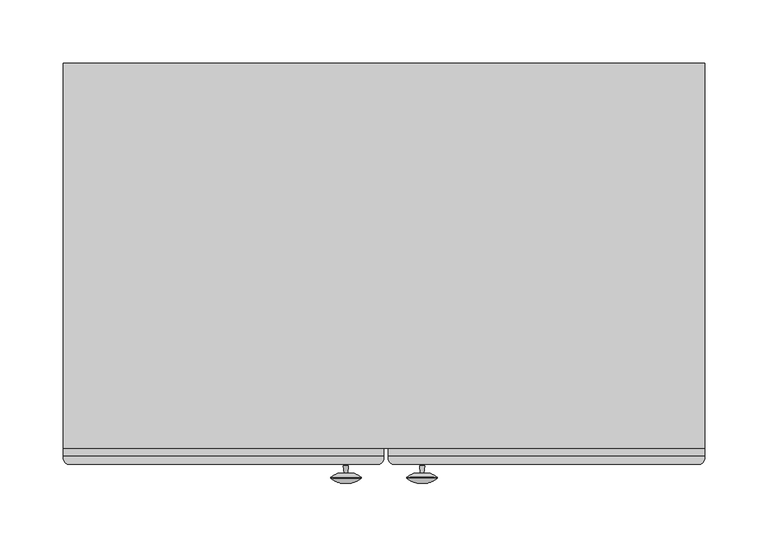
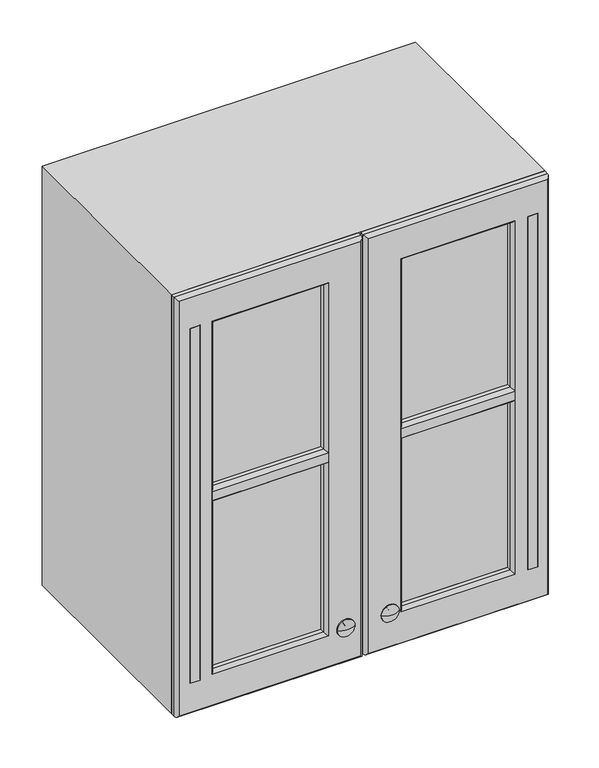
"""IFC4 building model written with IfcOpenShell, lengths in millimetres: furniture geometry."""

from ifc_helpers import new_model, si_unit, point, frame, frame_2d, origin, place, context, project, spatial, polyline, circle_curve, ellipse_curve, trimmed, segment, composite_curve, outline, extrude, source, transform, mapped, element, save
from ifc_brep_helpers import plane_surface, cylinder_surface, revolved_surface, advanced_brep


def furniture_fbc757a7(model_context):
    return source(origin(), model_context, "Body", "SolidModel", [
        extrude(outline(polyline([(-274.7654395, -358.775), (-274.7654395, -352.425), (131.6345605, -352.425), (131.6345605, -358.775), (-274.7654395, -358.775)])), frame((0.0, 0.0, 1574.8), z_axis=(0.0, 0.0, 1.0), x_axis=(1.0, 0.0, 0.0)), (0.0, 0.0, 1.0), 501.65),
        extrude(outline(polyline([(131.6345605, -53.975), (131.6345605, -73.025), (-274.7654395, -73.025), (-274.7654395, -53.975), (131.6345605, -53.975)])), frame((0.0, 0.0, 1574.8), z_axis=(0.0, 0.0, 1.0), x_axis=(1.0, 0.0, 0.0)), (0.0, 0.0, 1.0), 501.65),
        extrude(outline(polyline([(2127.25, -325.5654395), (1524.0, -325.5654395), (1524.0, 182.4345605), (2127.25, 182.4345605), (2127.25, -325.5654395)]), holes=[polyline([(2076.45, -274.7654395), (2076.45, 131.6345605), (1574.8, 131.6345605), (1574.8, -274.7654395), (2076.45, -274.7654395)])]), frame((0.0, -358.775, 0.0), z_axis=(0.0, 1.0, 0.0), x_axis=(0.0, 0.0, 1.0)), (0.0, 0.0, 1.0), 304.8),
        extrude(outline(composite_curve([segment(polyline([(-294.3401211, -371.475), (-307.5038137, -371.475)]), True, "CONTINUOUS"), segment(trimmed(circle_curve(frame_2d((-303.4240101, -365.7269975)), 7.0487113), [point((-307.5038137, -371.475))], [point((-310.4469674, -365.125))], False, "CARTESIAN"), True, "CONTINUOUS"), segment(polyline([(-310.4469674, -365.125), (-310.4469674, -358.775), (-291.3969674, -358.775), (-291.3969674, -365.125)]), True, "CONTINUOUS"), segment(trimmed(circle_curve(frame_2d((-298.4199247, -365.7269975)), 7.0487113), [point((-291.3969674, -365.125))], [point((-294.3401211, -371.475))], False, "CARTESIAN"), True, "CONTINUOUS")], self_intersect=False)), frame((0.0, 0.0, 1569.2911459), z_axis=(0.0, 0.0, 1.0), x_axis=(1.0, 0.0, 0.0)), (0.0, 0.0, 1.0), 510.2809368),
        extrude(outline(composite_curve([segment(trimmed(circle_curve(frame_2d((-365.7269975, 1830.6544205)), 7.0487113), [point((-371.475, 1834.7342241))], [point((-365.125, 1837.6773778))], False, "CARTESIAN"), True, "CONTINUOUS"), segment(polyline([(-365.125, 1837.6773778), (-358.775, 1837.6773778), (-358.775, 1818.6273778), (-365.125, 1818.6273778)]), True, "CONTINUOUS"), segment(trimmed(circle_curve(frame_2d((-365.7269975, 1825.6503351)), 7.0487113), [point((-365.125, 1818.6273778))], [point((-371.475, 1821.5705316))], False, "CARTESIAN"), True, "CONTINUOUS"), segment(polyline([(-371.475, 1821.5705316), (-371.475, 1834.7342241)]), True, "CONTINUOUS")], self_intersect=False)), frame((-277.9155794, 0.0, 0.0), z_axis=(1.0, 0.0, 0.0), x_axis=(0.0, 1.0, 0.0)), (0.0, 0.0, 1.0), 158.7002798),
        extrude(outline(composite_curve([segment(trimmed(circle_curve(frame_2d((-365.7269975, 1830.8463502)), 7.0487113), [point((-371.475, 1834.9261538))], [point((-365.125, 1837.8693075))], False, "CARTESIAN"), True, "CONTINUOUS"), segment(polyline([(-365.125, 1837.8693075), (-358.775, 1837.8693075), (-358.775, 1818.8193075), (-365.125, 1818.8193075)]), True, "CONTINUOUS"), segment(trimmed(circle_curve(frame_2d((-365.7269975, 1825.8422648)), 7.0487113), [point((-365.125, 1818.8193075))], [point((-371.475, 1821.7624613))], False, "CARTESIAN"), True, "CONTINUOUS"), segment(polyline([(-371.475, 1821.7624613), (-371.475, 1834.9261538)]), True, "CONTINUOUS")], self_intersect=False)), frame((-20.7654395, 0.0, 0.0), z_axis=(1.0, 0.0, 0.0), x_axis=(0.0, 1.0, 0.0)), (0.0, 0.0, 1.0), 155.575),
        extrude(outline(composite_curve([segment(polyline([(165.6932641, -371.475), (152.5295715, -371.475)]), True, "CONTINUOUS"), segment(trimmed(circle_curve(frame_2d((156.6093751, -365.7269975)), 7.0487113), [point((152.5295715, -371.475))], [point((149.5864178, -365.125))], False, "CARTESIAN"), True, "CONTINUOUS"), segment(polyline([(149.5864178, -365.125), (149.5864178, -358.775), (168.6364178, -358.775), (168.6364178, -365.125)]), True, "CONTINUOUS"), segment(trimmed(circle_curve(frame_2d((161.6134605, -365.7269975)), 7.0487113), [point((168.6364178, -365.125))], [point((165.6932641, -371.475))], False, "CARTESIAN"), True, "CONTINUOUS")], self_intersect=False)), frame((0.0, 0.0, 1571.625), z_axis=(0.0, 0.0, 1.0), x_axis=(1.0, 0.0, 0.0)), (0.0, 0.0, 1.0), 508.0),
        advanced_brep(
        [(-71.5902996, -365.125, 1524.0248601), (-71.5902996, -365.125, 2127.2251399), (-74.7652996, -371.475, 2124.0501399), (-74.7652996, -371.475, 1527.1998601), (-71.5902996, -358.775, 1524.0248601), (-71.5902996, -358.775, 2127.2251399), (-122.3902996, -365.125, 1574.8248601), (-122.3902996, -365.125, 2076.4251399), (-122.3902996, -358.775, 2076.4251399), (-122.3902996, -358.775, 1574.8248601), (-119.2152996, -371.475, 1571.6498601), (-119.2152996, -371.475, 2079.6001399), (-325.5405794, -365.125, 2127.2251399), (-322.3655794, -371.475, 2124.0501399), (-325.5405794, -358.775, 2127.2251399), (-274.7405794, -365.125, 2076.4251399), (-274.7405794, -358.775, 2076.4251399), (-277.9155794, -371.475, 2079.6001399), (-325.5405794, -365.125, 1524.0248601), (-322.3655794, -371.475, 1527.1998601), (-325.5405794, -358.775, 1524.0248601), (-274.7405794, -365.125, 1574.8248601), (-274.7405794, -358.775, 1574.8248601), (-277.9155794, -371.475, 1571.6498601)],
        [
            (0, 1),
            (1, 2, ellipse_curve(frame((-78.3659006, -365.7059495, 2120.4495389), z_axis=(0.7071067811865475, 0.0, -0.7071067811865475), x_axis=(-0.7071067811865474, 0.0, -0.7071067811865476)), 9.6173043, 6.8004611)),
            (2, 3),
            (3, 0, ellipse_curve(frame((-78.3659006, -365.7059495, 1530.8004611), z_axis=(0.7071067811865475, 0.0, 0.7071067811865475), x_axis=(0.7071067811865474, 0.0, -0.7071067811865476)), 9.6173043, 6.8004611)),
            (4, 5),
            (5, 1),
            (0, 4),
            (6, 7),
            (7, 8),
            (8, 9),
            (9, 6),
            (10, 11),
            (11, 7, ellipse_curve(frame((-115.6146986, -365.7059495, 2083.2007409), z_axis=(0.7071067811865475, 0.0, -0.7071067811865475), x_axis=(-0.7071067811865474, 0.0, -0.7071067811865476)), 9.6173043, 6.8004611)),
            (6, 10, ellipse_curve(frame((-115.6146986, -365.7059495, 1568.0492591), z_axis=(0.7071067811865475, 0.0, 0.7071067811865475), x_axis=(0.7071067811865474, 0.0, -0.7071067811865476)), 9.6173043, 6.8004611)),
            (1, 12),
            (12, 13, ellipse_curve(frame((-318.7649784, -365.7059495, 2120.4495389), z_axis=(0.7071067811865475, 0.0, 0.7071067811865475), x_axis=(0.7071067811865476, 0.0, -0.7071067811865474)), 9.6173043, 6.8004611)),
            (13, 2),
            (5, 14),
            (14, 12),
            (7, 15),
            (15, 16),
            (16, 8),
            (11, 17),
            (17, 15, ellipse_curve(frame((-281.5161804, -365.7059495, 2083.2007409), z_axis=(0.7071067811865475, 0.0, 0.7071067811865475), x_axis=(0.7071067811865476, 0.0, -0.7071067811865474)), 9.6173043, 6.8004611)),
            (12, 18),
            (18, 19, ellipse_curve(frame((-318.7649784, -365.7059495, 1530.8004611), z_axis=(-0.7071067811865475, 0.0, 0.7071067811865475), x_axis=(0.7071067811865474, 0.0, 0.7071067811865476)), 9.6173043, 6.8004611)),
            (19, 13),
            (14, 20),
            (20, 18),
            (15, 21),
            (21, 22),
            (22, 16),
            (17, 23),
            (23, 21, ellipse_curve(frame((-281.5161804, -365.7059495, 1568.0492591), z_axis=(-0.7071067811865475, 0.0, 0.7071067811865475), x_axis=(0.7071067811865474, 0.0, 0.7071067811865476)), 9.6173043, 6.8004611)),
            (18, 0),
            (3, 19),
            (20, 4),
            (22, 9),
            (21, 6),
            (23, 10),
        ],
        [
            cylinder_surface(frame((-78.3659006, -365.7059495, 1574.8), z_axis=(0.0, 0.0, -1.0), x_axis=(1.0, 0.0, 0.0)), 6.8004611),
            plane_surface(frame((-71.5902996, -365.125, 1524.0248601), z_axis=(1.0, 0.0, 0.0), x_axis=(0.0, 0.0, 1.0))),
            plane_surface(frame((-122.3902996, -358.775, 1574.8248601), z_axis=(-1.0, 0.0, 0.0), x_axis=(0.0, 0.0, 1.0))),
            cylinder_surface(frame((-115.6146986, -365.7059495, 1574.8), z_axis=(0.0, 0.0, -1.0), x_axis=(1.0, 0.0, 0.0)), 6.8004611),
            cylinder_surface(frame((-122.3654395, -365.7059495, 2120.4495389), z_axis=(1.0, 0.0, 0.0), x_axis=(0.0, 0.0, 1.0)), 6.8004611),
            plane_surface(frame((-71.5902996, -365.125, 2127.2251399), z_axis=(0.0, 0.0, 1.0), x_axis=(-1.0, 0.0, 0.0))),
            plane_surface(frame((-122.3902996, -358.775, 2076.4251399), z_axis=(0.0, 0.0, -1.0), x_axis=(-1.0, 0.0, 0.0))),
            cylinder_surface(frame((-122.3654395, -365.7059495, 2083.2007409), z_axis=(1.0, 0.0, 0.0), x_axis=(0.0, 0.0, 1.0)), 6.8004611),
            cylinder_surface(frame((-318.7649784, -365.7059495, 2076.45), z_axis=(0.0, 0.0, 1.0), x_axis=(-1.0, 0.0, 0.0)), 6.8004611),
            plane_surface(frame((-325.5405794, -365.125, 2127.2251399), z_axis=(-1.0, 0.0, 0.0), x_axis=(0.0, 0.0, -1.0))),
            plane_surface(frame((-274.7405794, -358.775, 2076.4251399), z_axis=(1.0, 0.0, 0.0), x_axis=(0.0, 0.0, -1.0))),
            cylinder_surface(frame((-281.5161804, -365.7059495, 2076.45), z_axis=(0.0, 0.0, 1.0), x_axis=(-1.0, 0.0, 0.0)), 6.8004611),
            cylinder_surface(frame((-274.7654395, -365.7059495, 1530.8004611), z_axis=(-1.0, 0.0, 0.0), x_axis=(0.0, 0.0, -1.0)), 6.8004611),
            plane_surface(frame((-325.5405794, -365.125, 1524.0248601), z_axis=(0.0, 0.0, -1.0), x_axis=(1.0, 0.0, 0.0))),
            plane_surface(frame((-325.5405794, -358.775, 1524.0248601), z_axis=(0.0, 1.0, 0.0), x_axis=(1.0, 0.0, 0.0))),
            plane_surface(frame((-274.7405794, -358.775, 1574.8248601), z_axis=(0.0, 0.0, 1.0), x_axis=(1.0, 0.0, 0.0))),
            cylinder_surface(frame((-274.7654395, -365.7059495, 1568.0492591), z_axis=(-1.0, 0.0, 0.0), x_axis=(0.0, 0.0, -1.0)), 6.8004611),
            plane_surface(frame((-277.9155794, -371.475, 1571.6498601), z_axis=(0.0, -1.0, 0.0), x_axis=(1.0, 0.0, 0.0))),
        ],
        [
            (0, [[1, 2, 3, 4]]),
            (1, [[5, 6, -1, 7]]),
            (2, [[8, 9, 10, 11]]),
            (3, [[12, 13, -8, 14]]),
            (4, [[15, 16, 17, -2]]),
            (5, [[18, 19, -15, -6]]),
            (6, [[20, 21, 22, -9]]),
            (7, [[23, 24, -20, -13]]),
            (8, [[25, 26, 27, -16]]),
            (9, [[28, 29, -25, -19]]),
            (10, [[30, 31, 32, -21]]),
            (11, [[33, 34, -30, -24]]),
            (12, [[35, -4, 36, -26]]),
            (13, [[37, -7, -35, -29]]),
            (14, [[-5, -37, -28, -18], [-10, -22, -32, 38]]),
            (15, [[39, -11, -38, -31]]),
            (16, [[40, -14, -39, -34]]),
            (17, [[-3, -17, -27, -36], [-12, -40, -33, -23]]),
        ],
    ),
        advanced_brep(
        [(-68.3904395, -365.125, 2127.25), (-68.3904395, -365.125, 1524.0), (-65.2154395, -371.475, 1527.175), (-65.2154395, -371.475, 2124.075), (-68.3904395, -358.775, 2127.25), (-68.3904395, -358.775, 1524.0), (-17.5904395, -365.125, 2076.45), (-17.5904395, -365.125, 1574.8), (-17.5904395, -358.775, 1574.8), (-17.5904395, -358.775, 2076.45), (-20.7654395, -371.475, 2079.625), (-20.7654395, -371.475, 1571.625), (182.4345605, -365.125, 1524.0), (179.2595605, -371.475, 1527.175), (182.4345605, -358.775, 1524.0), (131.6345605, -365.125, 1574.8), (131.6345605, -358.775, 1574.8), (134.8095605, -371.475, 1571.625), (182.4345605, -365.125, 2127.25), (179.2595605, -371.475, 2124.075), (182.4345605, -358.775, 2127.25), (131.6345605, -365.125, 2076.45), (131.6345605, -358.775, 2076.45), (134.8095605, -371.475, 2079.625)],
        [
            (0, 1),
            (1, 2, ellipse_curve(frame((-61.6148385, -365.7059495, 1530.775601), z_axis=(-0.7071067811865475, 0.0, 0.7071067811865475), x_axis=(0.7071067811865474, 0.0, 0.7071067811865476)), 9.6173043, 6.8004611)),
            (2, 3),
            (3, 0, ellipse_curve(frame((-61.6148385, -365.7059495, 2120.474399), z_axis=(-0.7071067811865475, 0.0, -0.7071067811865475), x_axis=(-0.7071067811865474, 0.0, 0.7071067811865476)), 9.6173043, 6.8004611)),
            (4, 5),
            (5, 1),
            (0, 4),
            (6, 7),
            (7, 8),
            (8, 9),
            (9, 6),
            (10, 11),
            (11, 7, ellipse_curve(frame((-24.3660405, -365.7059495, 1568.024399), z_axis=(-0.7071067811865475, 0.0, 0.7071067811865475), x_axis=(0.7071067811865474, 0.0, 0.7071067811865476)), 9.6173043, 6.8004611)),
            (6, 10, ellipse_curve(frame((-24.3660405, -365.7059495, 2083.225601), z_axis=(-0.7071067811865475, 0.0, -0.7071067811865475), x_axis=(-0.7071067811865474, 0.0, 0.7071067811865476)), 9.6173043, 6.8004611)),
            (1, 12),
            (12, 13, ellipse_curve(frame((175.6589595, -365.7059495, 1530.775601), z_axis=(-0.7071067811865475, 0.0, -0.7071067811865475), x_axis=(-0.7071067811865476, 0.0, 0.7071067811865474)), 9.6173043, 6.8004611)),
            (13, 2),
            (5, 14),
            (14, 12),
            (7, 15),
            (15, 16),
            (16, 8),
            (11, 17),
            (17, 15, ellipse_curve(frame((138.4101615, -365.7059495, 1568.024399), z_axis=(-0.7071067811865475, 0.0, -0.7071067811865475), x_axis=(-0.7071067811865476, 0.0, 0.7071067811865474)), 9.6173043, 6.8004611)),
            (12, 18),
            (18, 19, ellipse_curve(frame((175.6589595, -365.7059495, 2120.474399), z_axis=(0.7071067811865475, 0.0, -0.7071067811865475), x_axis=(-0.7071067811865474, 0.0, -0.7071067811865476)), 9.6173043, 6.8004611)),
            (19, 13),
            (14, 20),
            (20, 18),
            (15, 21),
            (21, 22),
            (22, 16),
            (17, 23),
            (23, 21, ellipse_curve(frame((138.4101615, -365.7059495, 2083.225601), z_axis=(0.7071067811865475, 0.0, -0.7071067811865475), x_axis=(-0.7071067811865474, 0.0, -0.7071067811865476)), 9.6173043, 6.8004611)),
            (18, 0),
            (3, 19),
            (20, 4),
            (22, 9),
            (21, 6),
            (23, 10),
        ],
        [
            cylinder_surface(frame((-61.6148385, -365.7059495, 2076.45), z_axis=(0.0, 0.0, 1.0), x_axis=(-1.0, 0.0, 0.0)), 6.8004611),
            plane_surface(frame((-68.3904395, -365.125, 2127.25), z_axis=(-1.0, 0.0, 0.0), x_axis=(0.0, 0.0, -1.0))),
            plane_surface(frame((-17.5904395, -358.775, 2076.45), z_axis=(1.0, 0.0, 0.0), x_axis=(0.0, 0.0, -1.0))),
            cylinder_surface(frame((-24.3660405, -365.7059495, 2076.45), z_axis=(0.0, 0.0, 1.0), x_axis=(-1.0, 0.0, 0.0)), 6.8004611),
            cylinder_surface(frame((-17.5904395, -365.7059495, 1530.775601), z_axis=(-1.0, 0.0, 0.0), x_axis=(0.0, 0.0, -1.0)), 6.8004611),
            plane_surface(frame((-68.3904395, -365.125, 1524.0), z_axis=(0.0, 0.0, -1.0), x_axis=(1.0, 0.0, 0.0))),
            plane_surface(frame((-17.5904395, -358.775, 1574.8), z_axis=(0.0, 0.0, 1.0), x_axis=(1.0, 0.0, 0.0))),
            cylinder_surface(frame((-17.5904395, -365.7059495, 1568.024399), z_axis=(-1.0, 0.0, 0.0), x_axis=(0.0, 0.0, -1.0)), 6.8004611),
            cylinder_surface(frame((175.6589595, -365.7059495, 1574.8), z_axis=(0.0, 0.0, -1.0), x_axis=(1.0, 0.0, 0.0)), 6.8004611),
            plane_surface(frame((182.4345605, -365.125, 1524.0), z_axis=(1.0, 0.0, 0.0), x_axis=(0.0, 0.0, 1.0))),
            plane_surface(frame((131.6345605, -358.775, 1574.8), z_axis=(-1.0, 0.0, 0.0), x_axis=(0.0, 0.0, 1.0))),
            cylinder_surface(frame((138.4101615, -365.7059495, 1574.8), z_axis=(0.0, 0.0, -1.0), x_axis=(1.0, 0.0, 0.0)), 6.8004611),
            cylinder_surface(frame((131.6345605, -365.7059495, 2120.474399), z_axis=(1.0, 0.0, 0.0), x_axis=(0.0, 0.0, 1.0)), 6.8004611),
            plane_surface(frame((182.4345605, -365.125, 2127.25), z_axis=(0.0, 0.0, 1.0), x_axis=(-1.0, 0.0, 0.0))),
            plane_surface(frame((182.4345605, -358.775, 2127.25), z_axis=(0.0, 1.0, 0.0), x_axis=(-1.0, 0.0, 0.0))),
            plane_surface(frame((131.6345605, -358.775, 2076.45), z_axis=(0.0, 0.0, -1.0), x_axis=(-1.0, 0.0, 0.0))),
            cylinder_surface(frame((131.6345605, -365.7059495, 2083.225601), z_axis=(1.0, 0.0, 0.0), x_axis=(0.0, 0.0, 1.0)), 6.8004611),
            plane_surface(frame((134.8095605, -371.475, 2079.625), z_axis=(0.0, -1.0, 0.0), x_axis=(-1.0, 0.0, 0.0))),
        ],
        [
            (0, [[1, 2, 3, 4]]),
            (1, [[5, 6, -1, 7]]),
            (2, [[8, 9, 10, 11]]),
            (3, [[12, 13, -8, 14]]),
            (4, [[15, 16, 17, -2]]),
            (5, [[18, 19, -15, -6]]),
            (6, [[20, 21, 22, -9]]),
            (7, [[23, 24, -20, -13]]),
            (8, [[25, 26, 27, -16]]),
            (9, [[28, 29, -25, -19]]),
            (10, [[30, 31, 32, -21]]),
            (11, [[33, 34, -30, -24]]),
            (12, [[35, -4, 36, -26]]),
            (13, [[37, -7, -35, -29]]),
            (14, [[-5, -37, -28, -18], [-10, -22, -32, 38]]),
            (15, [[39, -11, -38, -31]]),
            (16, [[40, -14, -39, -34]]),
            (17, [[-3, -17, -27, -36], [-12, -40, -33, -23]]),
        ],
    ),
        advanced_brep(
        [(-103.0183118, -378.4526003, 1583.5590145), (-103.6535926, -372.4083067, 1583.5590145), (-99.7684205, -372.4083067, 1583.5590145), (-100.4037014, -378.4526003, 1583.5590145), (-113.7619206, -381.5332805, 1583.5590145), (-89.6600926, -381.5332805, 1583.5590145), (-113.7619206, -382.592055, 1583.5590145), (-89.6600926, -382.592055, 1583.5590145), (-101.7110066, -386.6453853, 1583.5590145), (-101.7110066, -372.4083067, 1583.5590145)],
        [
            (0, 1),
            (1, 2, circle_curve(frame((-101.7110066, -372.4083067, 1583.5590145), z_axis=(0.0, -1.0, 0.0), x_axis=(1.0, 0.0, 0.0)), 1.9425861)),
            (2, 3),
            (3, 0, circle_curve(frame((-101.7110066, -378.4526003, 1583.5590145), z_axis=(0.0, 1.0, 0.0), x_axis=(1.0, 0.0, 0.0)), 1.3073052)),
            (2, 1, circle_curve(frame((-101.7110066, -372.4083067, 1583.5590145), z_axis=(0.0, -1.0, 0.0), x_axis=(1.0, 0.0, 0.0)), 1.9425861)),
            (0, 3, circle_curve(frame((-101.7110066, -378.4526003, 1583.5590145), z_axis=(0.0, 1.0, 0.0), x_axis=(1.0, 0.0, 0.0)), 1.3073052)),
            (4, 0, circle_curve(frame((-104.0878466, -394.9967375, 1583.5590145), z_axis=(0.0, 0.0, -1.0), x_axis=(1.0, 0.0, 0.0)), 16.5786725)),
            (3, 5, circle_curve(frame((-99.3341666, -394.9967375, 1583.5590145), z_axis=(0.0, 0.0, -1.0), x_axis=(-1.0, 0.0, 0.0)), 16.5786725)),
            (5, 4, circle_curve(frame((-101.7110066, -381.5332805, 1583.5590145), z_axis=(0.0, 1.0, 0.0), x_axis=(1.0, 0.0, 0.0)), 12.050914)),
            (4, 5, circle_curve(frame((-101.7110066, -381.5332805, 1583.5590145), z_axis=(0.0, 1.0, 0.0), x_axis=(1.0, 0.0, 0.0)), 12.050914)),
            (6, 4),
            (5, 7),
            (7, 6, circle_curve(frame((-101.7110066, -382.592055, 1583.5590145), z_axis=(0.0, 1.0, 0.0), x_axis=(1.0, 0.0, 0.0)), 12.050914)),
            (6, 7, circle_curve(frame((-101.7110066, -382.592055, 1583.5590145), z_axis=(0.0, 1.0, 0.0), x_axis=(1.0, 0.0, 0.0)), 12.050914)),
            (8, 6, circle_curve(frame((-102.8992589, -370.2372775, 1583.5590145), z_axis=(0.0, 0.0, -1.0), x_axis=(1.0, 0.0, 0.0)), 16.4510774)),
            (7, 8, circle_curve(frame((-100.5227543, -370.2372775, 1583.5590145), z_axis=(0.0, 0.0, -1.0), x_axis=(-1.0, 0.0, 0.0)), 16.4510774)),
            (1, 9),
            (9, 2),
        ],
        [
            revolved_surface(polyline([(-99.7684205, -372.4083067, 1583.5590145), (-100.4037014, -378.4526003, 1583.5590145)]), (-101.7110066, -268.5634287, 1583.5590145), (0.0, -1.0, 0.0)),
            revolved_surface(trimmed(ellipse_curve(frame((-99.3341666, -394.9967375, 1583.5590145), z_axis=(0.0, 0.0, -1.0), x_axis=(-1.0, 0.0, 0.0)), 16.5786725, 16.5786725), [point((-100.4037014, -378.4526003, 1583.5590145))], [point((-89.6600926, -381.5332805, 1583.5590145))], True, "CARTESIAN"), (-101.7110066, -268.5634287, 1583.5590145), (0.0, -1.0, 0.0)),
            cylinder_surface(frame((-101.7110066, -268.5634287, 1583.5590145), z_axis=(0.0, -1.0, 0.0), x_axis=(1.0, 0.0, 0.0)), 12.050914),
            revolved_surface(trimmed(ellipse_curve(frame((-100.5227543, -370.2372775, 1583.5590145), z_axis=(0.0, 0.0, -1.0), x_axis=(-1.0, 0.0, 0.0)), 16.4510774, 16.4510774), [point((-89.6600926, -382.592055, 1583.5590145))], [point((-101.7110066, -386.6453853, 1583.5590145))], True, "CARTESIAN"), (-101.7110066, -268.5634287, 1583.5590145), (0.0, -1.0, 0.0)),
            plane_surface(frame((-101.7110066, -372.4083067, 1583.5590145), z_axis=(0.0, 1.0, 0.0), x_axis=(1.0, 0.0, 0.0))),
        ],
        [
            (0, [[1, 2, 3, 4]]),
            (0, [[-3, 5, -1, 6]]),
            (1, [[7, -4, 8, 9]]),
            (1, [[-8, -6, -7, 10]]),
            (2, [[11, -9, 12, 13]]),
            (2, [[-12, -10, -11, 14]]),
            (3, [[15, -13, 16]]),
            (3, [[-16, -14, -15]]),
            (4, [[17, 18, -2]]),
            (4, [[-18, -17, -5]]),
        ],
    ),
        advanced_brep(
        [(-41.4198724, -372.4083067, 1583.5590145), (-39.4772863, -372.4083067, 1583.5590145), (-43.3624584, -372.4083067, 1583.5590145), (-29.3689583, -382.592055, 1583.5590145), (-41.4198724, -386.6453853, 1583.5590145), (-53.4707864, -382.592055, 1583.5590145), (-29.3689583, -381.5332805, 1583.5590145), (-53.4707864, -381.5332805, 1583.5590145), (-40.1125672, -378.4526003, 1583.5590145), (-42.7271776, -378.4526003, 1583.5590145)],
        [
            (0, 1),
            (1, 2, circle_curve(frame((-41.4198724, -372.4083067, 1583.5590145), z_axis=(0.0, 1.0, 0.0), x_axis=(-1.0, 0.0, 0.0)), 1.9425861)),
            (2, 0),
            (2, 1, circle_curve(frame((-41.4198724, -372.4083067, 1583.5590145), z_axis=(0.0, 1.0, 0.0), x_axis=(-1.0, 0.0, 0.0)), 1.9425861)),
            (3, 4, circle_curve(frame((-40.2316201, -370.2372775, 1583.5590145), z_axis=(0.0, 0.0, -1.0), x_axis=(-1.0, 0.0, 0.0)), 16.4510774)),
            (4, 5, circle_curve(frame((-42.6081246, -370.2372775, 1583.5590145), z_axis=(0.0, 0.0, -1.0), x_axis=(1.0, 0.0, 0.0)), 16.4510774)),
            (5, 3, circle_curve(frame((-41.4198724, -382.592055, 1583.5590145), z_axis=(0.0, -1.0, 0.0), x_axis=(-1.0, 0.0, 0.0)), 12.050914)),
            (3, 5, circle_curve(frame((-41.4198724, -382.592055, 1583.5590145), z_axis=(0.0, -1.0, 0.0), x_axis=(-1.0, 0.0, 0.0)), 12.050914)),
            (6, 3),
            (5, 7),
            (7, 6, circle_curve(frame((-41.4198724, -381.5332805, 1583.5590145), z_axis=(0.0, -1.0, 0.0), x_axis=(-1.0, 0.0, 0.0)), 12.050914)),
            (6, 7, circle_curve(frame((-41.4198724, -381.5332805, 1583.5590145), z_axis=(0.0, -1.0, 0.0), x_axis=(-1.0, 0.0, 0.0)), 12.050914)),
            (8, 6, circle_curve(frame((-39.0430323, -394.9967375, 1583.5590145), z_axis=(0.0, 0.0, -1.0), x_axis=(-1.0, 0.0, 0.0)), 16.5786725)),
            (7, 9, circle_curve(frame((-43.7967124, -394.9967375, 1583.5590145), z_axis=(0.0, 0.0, -1.0), x_axis=(1.0, 0.0, 0.0)), 16.5786725)),
            (9, 8, circle_curve(frame((-41.4198724, -378.4526003, 1583.5590145), z_axis=(0.0, -1.0, 0.0), x_axis=(-1.0, 0.0, 0.0)), 1.3073052)),
            (8, 9, circle_curve(frame((-41.4198724, -378.4526003, 1583.5590145), z_axis=(0.0, -1.0, 0.0), x_axis=(-1.0, 0.0, 0.0)), 1.3073052)),
            (1, 8),
            (9, 2),
        ],
        [
            plane_surface(frame((-41.4198724, -372.4083067, 1583.5590145), z_axis=(0.0, 1.0, 0.0), x_axis=(-1.0, 0.0, 0.0))),
            revolved_surface(trimmed(ellipse_curve(frame((-42.6081246, -370.2372775, 1583.5590145), z_axis=(0.0, 0.0, -1.0), x_axis=(1.0, 0.0, 0.0)), 16.4510774, 16.4510774), [point((-41.4198724, -386.6453853, 1583.5590145))], [point((-53.4707864, -382.592055, 1583.5590145))], True, "CARTESIAN"), (-41.4198724, -290.7884287, 1583.5590145), (0.0, 1.0, 0.0)),
            cylinder_surface(frame((-41.4198724, -290.7884287, 1583.5590145), z_axis=(0.0, 1.0, 0.0), x_axis=(-1.0, 0.0, 0.0)), 12.050914),
            revolved_surface(trimmed(ellipse_curve(frame((-43.7967124, -394.9967375, 1583.5590145), z_axis=(0.0, 0.0, -1.0), x_axis=(1.0, 0.0, 0.0)), 16.5786725, 16.5786725), [point((-53.4707864, -381.5332805, 1583.5590145))], [point((-42.7271776, -378.4526003, 1583.5590145))], True, "CARTESIAN"), (-41.4198724, -290.7884287, 1583.5590145), (0.0, 1.0, 0.0)),
            revolved_surface(polyline([(-42.7271776, -378.4526003, 1583.5590145), (-43.3624584, -372.4083067, 1583.5590145)]), (-41.4198724, -290.7884287, 1583.5590145), (0.0, 1.0, 0.0)),
        ],
        [
            (0, [[1, 2, 3]]),
            (0, [[-3, 4, -1]]),
            (1, [[5, 6, 7]]),
            (1, [[-6, -5, 8]]),
            (2, [[9, -7, 10, 11]]),
            (2, [[-10, -8, -9, 12]]),
            (3, [[13, -11, 14, 15]]),
            (3, [[-14, -12, -13, 16]]),
            (4, [[17, -15, 18, -2]]),
            (4, [[-18, -16, -17, -4]]),
        ],
    ),
        extrude(outline(polyline([(131.6345605, -73.025), (131.6345605, -352.425), (-274.7654395, -352.425), (-274.7654395, -73.025), (131.6345605, -73.025)])), frame((0.0, 0.0, 1943.1), z_axis=(0.0, 0.0, 1.0), x_axis=(1.0, 0.0, 0.0)), (0.0, 0.0, 1.0), 6.35),
        extrude(outline(polyline([(131.6345605, -73.025), (131.6345605, -352.425), (-274.7654395, -352.425), (-274.7654395, -73.025), (131.6345605, -73.025)])), frame((0.0, 0.0, 1720.85), z_axis=(0.0, 0.0, 1.0), x_axis=(1.0, 0.0, 0.0)), (0.0, 0.0, 1.0), 6.35),
    ])


if __name__ == "__main__":
    model = new_model("IFC4")
    model_context = context("Model", 3, world=origin())
    ifc_project = project(units=[si_unit("LENGTHUNIT", "METRE", prefix="MILLI")], contexts=[model_context])
    site = spatial("IfcSite", under=ifc_project)
    building = spatial("IfcBuilding", under=site)
    placement = place(None, origin())
    furniture_shape = furniture_fbc757a7(model_context)
    element("IfcFurniture", 1, at=placement, inside=building, context=model_context, shape_type="MappedRepresentation", body=[
        mapped(furniture_shape, transform((0.0, 0.0, 0.0), x_axis=(1.0, 0.0, 0.0), y_axis=(0.0, 1.0, 0.0), z_axis=(0.0, 0.0, 1.0))),
    ])
    save(model, "model.ifc")
